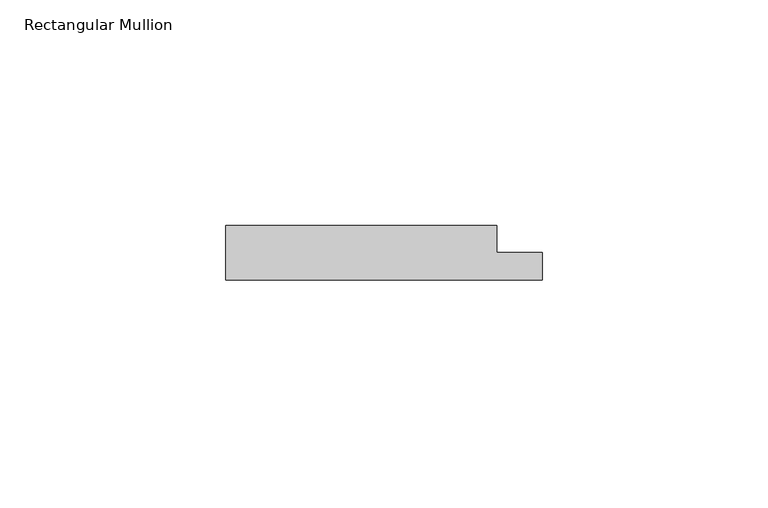
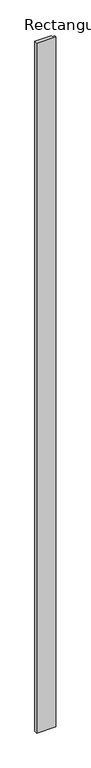
"""IFC4 building model written with IfcOpenShell, lengths in millimetres: member geometry, Rectangular Mullion."""

from ifc_helpers import new_model, si_unit, frame, origin, place, context, project, spatial, polyline, outline, extrude, source, transform, mapped, element, save


def rectangular_mullion_36238484(model_context):
    return source(origin(), model_context, "Body", "SweptSolid", [
        extrude(outline(polyline([(40.0, 0.0), (-30.0, 0.0), (-30.0, 12.0), (30.0, 12.0), (30.0, 6.0), (40.0, 6.0), (40.0, 0.0)])), frame((0.0, 0.0, -2700.0), z_axis=(0.0, 0.0, 1.0), x_axis=(1.0, 0.0, 0.0)), (0.0, 0.0, 1.0), 2700.0),
    ])


if __name__ == "__main__":
    model = new_model("IFC4")
    model_context = context("Model", 3, world=origin())
    ifc_project = project(units=[si_unit("LENGTHUNIT", "METRE", prefix="MILLI")], contexts=[model_context])
    site = spatial("IfcSite", under=ifc_project)
    building = spatial("IfcBuilding", under=site)
    placement = place(None, origin())
    rectangular_mullion_shape = rectangular_mullion_36238484(model_context)
    element("IfcMember", 1, ObjectType="Rectangular Mullion", at=placement, inside=building, context=model_context, shape_type="MappedRepresentation", body=[
        mapped(rectangular_mullion_shape, transform((0.0, 0.0, 0.0), x_axis=(1.0, 0.0, 0.0), y_axis=(0.0, 1.0, 0.0), z_axis=(0.0, 0.0, 1.0))),
    ])
    save(model, "model.ifc")
